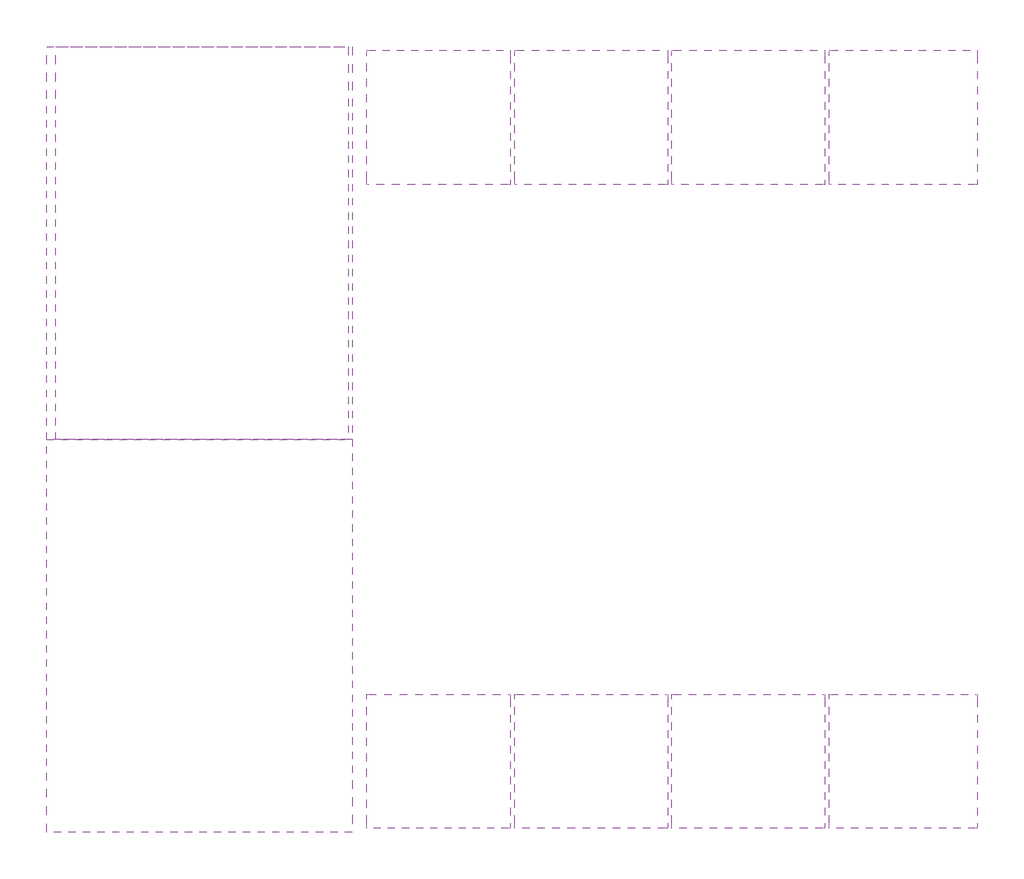
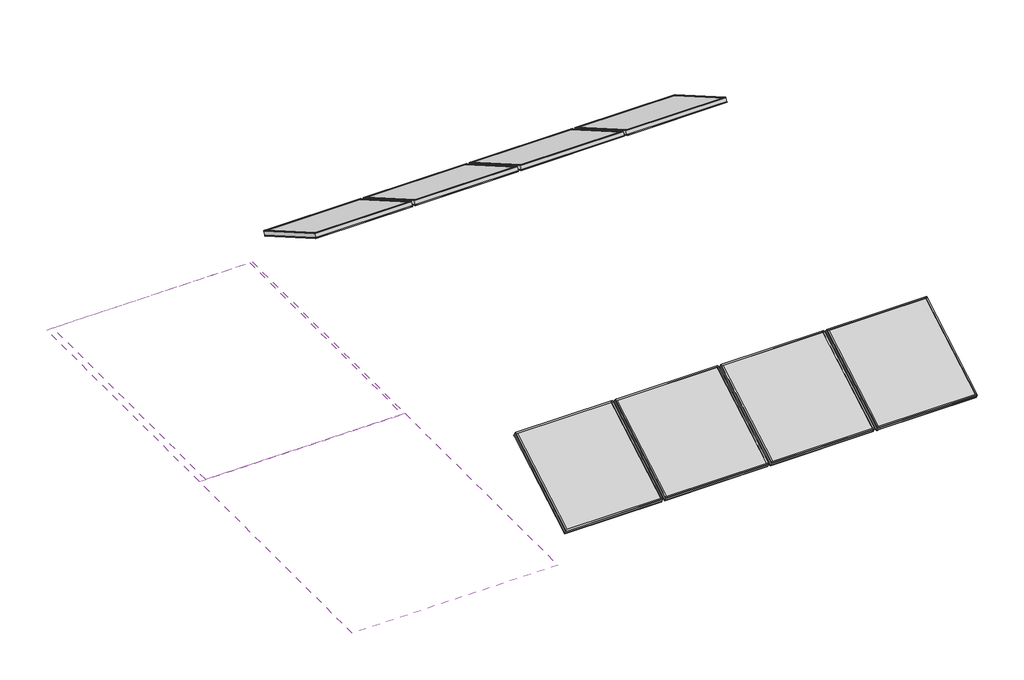
# One storey: 8 plates, 3 roofs.
"""IFC4 building model written with IfcOpenShell, lengths in millimetres."""

import ifcopenshell
import ifcopenshell.guid

model = None  # the IFC model being written
_history = None  # IfcOwnerHistory: only IFC2X3 demands one
_inside = {}  # id of a spatial element -> (the spatial element, [elements in it])
_under = {}  # id of a project, library or spatial element -> (it, [spatial elements below it])
_declared = {}  # id of a project -> (the project, [libraries it declares])
_typed = {}  # id of a type object -> (the type object, [elements of that type])
_made_of = {}  # id of a material, layer set ... -> (it, [elements and type objects made of it])


def new_model(schema):
    """Start an empty IFC model of exactly this schema.

    Asked for "IFC4X3", IfcOpenShell would pick the latest addendum, in which some entities
    have other attributes; the version numbers below select the first issue.
    IFC2X3 requires an IfcOwnerHistory on every rooted entity: one is made here for all.
    """
    global model, _history
    if schema == "IFC4X3":
        model = ifcopenshell.file(schema_version=(4, 3, 0, 0))
    else:
        model = ifcopenshell.file(schema=schema)
    _inside.clear()
    _under.clear()
    _declared.clear()
    _typed.clear()
    _made_of.clear()
    _history = None
    if model.schema == "IFC2X3":
        org = make("IfcOrganization", Name="unknown")
        user = make(
            "IfcPersonAndOrganization",
            ThePerson=make("IfcPerson", FamilyName="unknown"),
            TheOrganization=org,
        )
        app = make(
            "IfcApplication",
            ApplicationDeveloper=org,
            Version="unknown",
            ApplicationFullName="unknown",
            ApplicationIdentifier="unknown",
        )
        _history = make(
            "IfcOwnerHistory",
            OwningUser=user,
            OwningApplication=app,
            ChangeAction="ADDED",
            CreationDate=0,
        )
    return model


def make(cls, **values):
    """One entity of the class cls with the attributes given. An attribute that is None is left unset."""
    return model.create_entity(
        cls, **{name: value for name, value in values.items() if value is not None}
    )


def rooted(cls, **values):
    """An entity with a GlobalId (a new one), such as an element, a storey or a relation."""
    return make(cls, GlobalId=ifcopenshell.guid.new(), OwnerHistory=_history, **values)


def si_unit(unit_type, name, prefix=None):
    """IfcSIUnit, for example si_unit("LENGTHUNIT", "METRE", prefix="MILLI")."""
    return make("IfcSIUnit", UnitType=unit_type, Prefix=prefix, Name=name)


def assignment(units):
    """IfcUnitAssignment: the units of a project."""
    return None if units is None else make("IfcUnitAssignment", Units=units)


def point(xyz):
    """IfcCartesianPoint."""
    return None if xyz is None else make("IfcCartesianPoint", Coordinates=xyz)


def direction(xyz):
    """IfcDirection."""
    return None if xyz is None else make("IfcDirection", DirectionRatios=xyz)


def frame(location, z_axis=None, x_axis=None):
    """IfcAxis2Placement3D, a coordinate frame: its origin and axes. An axis left out is left unset."""
    return make(
        "IfcAxis2Placement3D",
        Location=point(location),
        Axis=direction(z_axis),
        RefDirection=direction(x_axis),
    )


def origin():
    """The frame at (0, 0, 0) with its axes left unset."""
    return frame((0.0, 0.0, 0.0))


def origin_with_axes():
    """The frame at (0, 0, 0) with the z axis (0, 0, 1) and the x axis (1, 0, 0) written out."""
    return frame((0.0, 0.0, 0.0), z_axis=(0.0, 0.0, 1.0), x_axis=(1.0, 0.0, 0.0))


def place(relative_to, where):
    """IfcLocalPlacement: puts the frame where relative to a parent placement (None: the world)."""
    return make(
        "IfcLocalPlacement", PlacementRelTo=relative_to, RelativePlacement=where
    )


def context(
    kind, dimensions, precision=None, world=None, true_north=None, identifier=None
):
    """IfcGeometricRepresentationContext, for example the 3D "Model" context."""
    return make(
        "IfcGeometricRepresentationContext",
        ContextIdentifier=identifier,
        ContextType=kind,
        CoordinateSpaceDimension=dimensions,
        Precision=precision,
        WorldCoordinateSystem=world,
        TrueNorth=true_north,
    )


def project(units=None, contexts=None):
    """IfcProject with its units and contexts."""
    return rooted(
        "IfcProject",
        Name="project",
        RepresentationContexts=contexts,
        UnitsInContext=assignment(units),
    )


def spatial(cls, under=None, at=None, **own):
    """A site, building, storey or space (cls), placed at a placement, below another one or the project."""
    s = rooted(cls, ObjectPlacement=at, **own)
    if under is not None:
        _under.setdefault(under.id(), (under, []))[1].append(s)
    return s


def polyline(points):
    """IfcPolyline through the points."""
    return make("IfcPolyline", Points=[point(p) for p in points])


def outline(outer, holes=None, kind="AREA"):
    """IfcArbitraryClosedProfileDef: a profile drawn as a closed curve; with holes, ...WithVoids."""
    if holes is None:
        return make("IfcArbitraryClosedProfileDef", ProfileType=kind, OuterCurve=outer)
    return make(
        "IfcArbitraryProfileDefWithVoids",
        ProfileType=kind,
        OuterCurve=outer,
        InnerCurves=holes,
    )


def extrude(swept, where, along, depth):
    """IfcExtrudedAreaSolid: the profile swept, set in the frame where, extruded along a direction by depth."""
    return make(
        "IfcExtrudedAreaSolid",
        SweptArea=swept,
        Position=where,
        ExtrudedDirection=direction(along),
        Depth=depth,
    )


def shape(context_of_items, identifier, shape_type, items):
    """IfcShapeRepresentation: the items that make up one representation, for example the "Body"."""
    return make(
        "IfcShapeRepresentation",
        ContextOfItems=context_of_items,
        RepresentationIdentifier=identifier,
        RepresentationType=shape_type,
        Items=items,
    )


def source(mapping_origin, context_of_items, identifier, shape_type, items):
    """IfcRepresentationMap: a shape defined once, which mapped items show again and again."""
    return make(
        "IfcRepresentationMap",
        MappingOrigin=mapping_origin,
        MappedRepresentation=shape(context_of_items, identifier, shape_type, items),
    )


def transform(
    local_origin,
    x_axis=None,
    y_axis=None,
    z_axis=None,
    scale=None,
    scale2=None,
    scale3=None,
    uniform=True,
):
    """IfcCartesianTransformationOperator3D, or its non-uniform kind. x_axis, y_axis, z_axis: its Axis1, 2, 3."""
    if uniform:
        return make(
            "IfcCartesianTransformationOperator3D",
            Axis1=direction(x_axis),
            Axis2=direction(y_axis),
            LocalOrigin=point(local_origin),
            Scale=scale,
            Axis3=direction(z_axis),
        )
    return make(
        "IfcCartesianTransformationOperator3DnonUniform",
        Axis1=direction(x_axis),
        Axis2=direction(y_axis),
        LocalOrigin=point(local_origin),
        Scale=scale,
        Axis3=direction(z_axis),
        Scale2=scale2,
        Scale3=scale3,
    )


def mapped(mapping_source, mapping_target):
    """IfcMappedItem: shows the shape of a source again, moved by a transform."""
    return make(
        "IfcMappedItem", MappingSource=mapping_source, MappingTarget=mapping_target
    )


def made_of(thing, what):
    """Note that an element or type object is made of a material, layer set ...; save() writes the relation."""
    if what is not None:
        _made_of.setdefault(what.id(), (what, []))[1].append(thing)
    return thing


def element(
    cls,
    number,
    at=None,
    inside=None,
    cuts=None,
    type_object=None,
    material=None,
    context=None,
    identifier="Body",
    shape_type=None,
    held_by="IfcProductDefinitionShape",
    body=None,
    shapes=None,
    **own,
):
    """One element of the class cls, such as IfcWall. Its Tag is "e" and its number.

    at: its placement. inside: the storey or other place that contains it. cuts: it is an
    opening in that element (IfcRelVoidsElement). A single representation is given by context,
    identifier, shape_type and body (its items); several are given by shapes. held_by: the class
    of the entity that holds the representations. save() writes the other relations.
    """
    e = rooted(cls, Tag="e%d" % number, ObjectPlacement=at, **own)
    if body is not None:
        shapes = [shape(context, identifier, shape_type, body)]
    if shapes is not None:
        e.Representation = make(held_by, Representations=shapes)
    if inside is not None:
        _inside.setdefault(inside.id(), (inside, []))[1].append(e)
    if cuts is not None:
        rooted(
            "IfcRelVoidsElement", RelatingBuildingElement=cuts, RelatedOpeningElement=e
        )
    if type_object is not None:
        _typed.setdefault(type_object.id(), (type_object, []))[1].append(e)
    return made_of(e, material)


def aggregate(whole, parts):
    """IfcRelAggregates: a whole, such as a stair, and the parts it consists of."""
    return rooted("IfcRelAggregates", RelatingObject=whole, RelatedObjects=parts)


def save(model, path):
    """Write the relations noted so far, then the file.

    IfcRelAggregates (storeys below a building ...), IfcRelContainedInSpatialStructure (elements
    in a storey), IfcRelDefinesByType, IfcRelAssociatesMaterial and IfcRelDeclares: one each for
    every whole, place, type object, material and project.
    """
    for whole, parts in _under.values():
        aggregate(whole, parts)
    for where, things in _inside.values():
        rooted(
            "IfcRelContainedInSpatialStructure",
            RelatedElements=things,
            RelatingStructure=where,
        )
    for kind, things in _typed.values():
        rooted("IfcRelDefinesByType", RelatedObjects=things, RelatingType=kind)
    for what, things in _made_of.values():
        rooted("IfcRelAssociatesMaterial", RelatedObjects=things, RelatingMaterial=what)
    for by, libraries in _declared.values():
        rooted("IfcRelDeclares", RelatingContext=by, RelatedDefinitions=libraries)
    model.write(path)


def plate_d5254cb2(model_context):
    return source(origin(), model_context, "Body", "SweptSolid", [
        extrude(outline(polyline([(418.5237375, -9.7647125), (418.5237375, -14.5399125), (-418.5237375, -14.5399125), (-418.5237375, -9.7647125), (418.5237375, -9.7647125)])), origin_with_axes(), (0.0, 0.0, 1.0), 11.1252),
        extrude(outline(polyline([(-418.5237375, -14.5399125), (-418.5237375, -9.7647125), (418.5237375, -9.7647125), (418.5237375, -14.5399125), (-418.5237375, -14.5399125)])), frame((0.0, 0.0, 868.3702658), z_axis=(0.0, 0.0, 1.0), x_axis=(1.0, 0.0, 0.0)), (0.0, 0.0, 1.0), 11.1252),
        extrude(outline(polyline([(418.5237375, -44.6643125), (418.5237375, -51.3953125), (406.3860579, -51.3953125), (406.3860579, -44.6643125), (418.5237375, -44.6643125)])), origin_with_axes(), (0.0, 0.0, 1.0), 879.4954658),
        extrude(outline(polyline([(418.5237375, -9.7765488), (418.5237375, -14.5399125), (406.5113137, -14.5399125), (406.5113137, -9.7765488), (418.5237375, -9.7765488)])), origin_with_axes(), (0.0, 0.0, 1.0), 879.4954658),
        extrude(outline(polyline([(-406.5031604, -51.3953125), (-418.5237375, -51.3953125), (-418.5237375, -44.6643125), (-406.5031604, -44.6643125), (-406.5031604, -51.3953125)])), origin_with_axes(), (0.0, 0.0, 1.0), 879.4954658),
        extrude(outline(polyline([(-406.5031604, -14.5399125), (-418.5237375, -14.5399125), (-418.5237375, -9.7647125), (-406.5031604, -9.7647125), (-406.5031604, -14.5399125)])), origin_with_axes(), (0.0, 0.0, 1.0), 879.4954658),
        extrude(outline(polyline([(418.5237375, -44.6643125), (418.5237375, -51.3953125), (-418.5237375, -51.3953125), (-418.5237375, -44.6643125), (418.5237375, -44.6643125)])), origin_with_axes(), (0.0, 0.0, 1.0), 11.1693096),
        extrude(outline(polyline([(418.5237375, -44.6643125), (418.5237375, -51.3953125), (-418.5237375, -51.3953125), (-418.5237375, -44.6643125), (418.5237375, -44.6643125)])), frame((0.0, 0.0, 868.31436), z_axis=(0.0, 0.0, 1.0), x_axis=(1.0, 0.0, 0.0)), (0.0, 0.0, 1.0), 11.1811058),
        extrude(outline(polyline([(418.5237375, -44.6643125), (-418.5237375, -44.6643125), (-418.5237375, -14.5399125), (418.5237375, -14.5399125), (418.5237375, -44.6643125)])), origin_with_axes(), (0.0, 0.0, 1.0), 879.4954658),
    ])


def plate_a69fba2a(model_context):
    return source(origin(), model_context, "Body", "SweptSolid", [
        extrude(outline(polyline([(431.8, -9.7647125), (431.8, -14.5399125), (-431.8, -14.5399125), (-431.8, -9.7647125), (431.8, -9.7647125)])), origin_with_axes(), (0.0, 0.0, 1.0), 11.1252),
        extrude(outline(polyline([(-431.8, -14.5399125), (-431.8, -9.7647125), (431.8, -9.7647125), (431.8, -14.5399125), (-431.8, -14.5399125)])), frame((0.0, 0.0, 868.3702658), z_axis=(0.0, 0.0, 1.0), x_axis=(1.0, 0.0, 0.0)), (0.0, 0.0, 1.0), 11.1252),
        extrude(outline(polyline([(431.8, -44.6643125), (431.8, -51.3953125), (419.6623204, -51.3953125), (419.6623204, -44.6643125), (431.8, -44.6643125)])), origin_with_axes(), (0.0, 0.0, 1.0), 879.4954658),
        extrude(outline(polyline([(431.8, -9.7765488), (431.8, -14.5399125), (419.7875762, -14.5399125), (419.7875762, -9.7765488), (431.8, -9.7765488)])), origin_with_axes(), (0.0, 0.0, 1.0), 879.4954658),
        extrude(outline(polyline([(-419.7794229, -51.3953125), (-431.8, -51.3953125), (-431.8, -44.6643125), (-419.7794229, -44.6643125), (-419.7794229, -51.3953125)])), origin_with_axes(), (0.0, 0.0, 1.0), 879.4954658),
        extrude(outline(polyline([(-419.7794229, -14.5399125), (-431.8, -14.5399125), (-431.8, -9.7647125), (-419.7794229, -9.7647125), (-419.7794229, -14.5399125)])), origin_with_axes(), (0.0, 0.0, 1.0), 879.4954658),
        extrude(outline(polyline([(431.8, -44.6643125), (431.8, -51.3953125), (-431.8, -51.3953125), (-431.8, -44.6643125), (431.8, -44.6643125)])), origin_with_axes(), (0.0, 0.0, 1.0), 11.1693096),
        extrude(outline(polyline([(431.8, -44.6643125), (431.8, -51.3953125), (-431.8, -51.3953125), (-431.8, -44.6643125), (431.8, -44.6643125)])), frame((0.0, 0.0, 868.31436), z_axis=(0.0, 0.0, 1.0), x_axis=(1.0, 0.0, 0.0)), (0.0, 0.0, 1.0), 11.1811058),
        extrude(outline(polyline([(431.8, -44.6643125), (-431.8, -44.6643125), (-431.8, -14.5399125), (431.8, -14.5399125), (431.8, -44.6643125)])), origin_with_axes(), (0.0, 0.0, 1.0), 879.4954658),
    ])


def plate_395092b2(model_context):
    return source(origin(), model_context, "Body", "SweptSolid", [
        extrude(outline(polyline([(444.5, -9.7647125), (444.5, -14.5399125), (-444.5, -14.5399125), (-444.5, -9.7647125), (444.5, -9.7647125)])), origin_with_axes(), (0.0, 0.0, 1.0), 11.1252),
        extrude(outline(polyline([(-444.5, -14.5399125), (-444.5, -9.7647125), (444.5, -9.7647125), (444.5, -14.5399125), (-444.5, -14.5399125)])), frame((0.0, 0.0, 868.3702658), z_axis=(0.0, 0.0, 1.0), x_axis=(1.0, 0.0, 0.0)), (0.0, 0.0, 1.0), 11.1252),
        extrude(outline(polyline([(444.5, -44.6643125), (444.5, -51.3953125), (432.3623204, -51.3953125), (432.3623204, -44.6643125), (444.5, -44.6643125)])), origin_with_axes(), (0.0, 0.0, 1.0), 879.4954658),
        extrude(outline(polyline([(444.5, -9.7765488), (444.5, -14.5399125), (432.4875762, -14.5399125), (432.4875762, -9.7765488), (444.5, -9.7765488)])), origin_with_axes(), (0.0, 0.0, 1.0), 879.4954658),
        extrude(outline(polyline([(-432.4794229, -51.3953125), (-444.5, -51.3953125), (-444.5, -44.6643125), (-432.4794229, -44.6643125), (-432.4794229, -51.3953125)])), origin_with_axes(), (0.0, 0.0, 1.0), 879.4954658),
        extrude(outline(polyline([(-432.4794229, -14.5399125), (-444.5, -14.5399125), (-444.5, -9.7647125), (-432.4794229, -9.7647125), (-432.4794229, -14.5399125)])), origin_with_axes(), (0.0, 0.0, 1.0), 879.4954658),
        extrude(outline(polyline([(444.5, -44.6643125), (444.5, -51.3953125), (-444.5, -51.3953125), (-444.5, -44.6643125), (444.5, -44.6643125)])), origin_with_axes(), (0.0, 0.0, 1.0), 11.1693096),
        extrude(outline(polyline([(444.5, -44.6643125), (444.5, -51.3953125), (-444.5, -51.3953125), (-444.5, -44.6643125), (444.5, -44.6643125)])), frame((0.0, 0.0, 868.31436), z_axis=(0.0, 0.0, 1.0), x_axis=(1.0, 0.0, 0.0)), (0.0, 0.0, 1.0), 11.1811058),
        extrude(outline(polyline([(444.5, -44.6643125), (-444.5, -44.6643125), (-444.5, -14.5399125), (444.5, -14.5399125), (444.5, -44.6643125)])), origin_with_axes(), (0.0, 0.0, 1.0), 879.4954658),
    ])


def plate_474ce93c(model_context):
    return source(origin(), model_context, "Body", "SweptSolid", [
        extrude(outline(polyline([(444.51905, -9.7647125), (444.51905, -14.5399125), (-444.51905, -14.5399125), (-444.51905, -9.7647125), (444.51905, -9.7647125)])), origin_with_axes(), (0.0, 0.0, 1.0), 11.1252),
        extrude(outline(polyline([(-444.51905, -14.5399125), (-444.51905, -9.7647125), (444.51905, -9.7647125), (444.51905, -14.5399125), (-444.51905, -14.5399125)])), frame((0.0, 0.0, 868.3702658), z_axis=(0.0, 0.0, 1.0), x_axis=(1.0, 0.0, 0.0)), (0.0, 0.0, 1.0), 11.1252),
        extrude(outline(polyline([(444.51905, -44.6643125), (444.51905, -51.3953125), (432.3813704, -51.3953125), (432.3813704, -44.6643125), (444.51905, -44.6643125)])), origin_with_axes(), (0.0, 0.0, 1.0), 879.4954658),
        extrude(outline(polyline([(444.51905, -9.7765488), (444.51905, -14.5399125), (432.5066262, -14.5399125), (432.5066262, -9.7765488), (444.51905, -9.7765488)])), origin_with_axes(), (0.0, 0.0, 1.0), 879.4954658),
        extrude(outline(polyline([(-432.4984729, -51.3953125), (-444.51905, -51.3953125), (-444.51905, -44.6643125), (-432.4984729, -44.6643125), (-432.4984729, -51.3953125)])), origin_with_axes(), (0.0, 0.0, 1.0), 879.4954658),
        extrude(outline(polyline([(-432.4984729, -14.5399125), (-444.51905, -14.5399125), (-444.51905, -9.7647125), (-432.4984729, -9.7647125), (-432.4984729, -14.5399125)])), origin_with_axes(), (0.0, 0.0, 1.0), 879.4954658),
        extrude(outline(polyline([(444.51905, -44.6643125), (444.51905, -51.3953125), (-444.51905, -51.3953125), (-444.51905, -44.6643125), (444.51905, -44.6643125)])), origin_with_axes(), (0.0, 0.0, 1.0), 11.1693096),
        extrude(outline(polyline([(444.51905, -44.6643125), (444.51905, -51.3953125), (-444.51905, -51.3953125), (-444.51905, -44.6643125), (444.51905, -44.6643125)])), frame((0.0, 0.0, 868.31436), z_axis=(0.0, 0.0, 1.0), x_axis=(1.0, 0.0, 0.0)), (0.0, 0.0, 1.0), 11.1811058),
        extrude(outline(polyline([(444.51905, -44.6643125), (-444.51905, -44.6643125), (-444.51905, -14.5399125), (444.51905, -14.5399125), (444.51905, -44.6643125)])), origin_with_axes(), (0.0, 0.0, 1.0), 879.4954658),
    ])


def plate_e72b2691(model_context):
    return source(origin(), model_context, "Body", "SweptSolid", [
        extrude(outline(polyline([(418.5046875, -9.7647125), (418.5046875, -14.5399125), (-418.5046875, -14.5399125), (-418.5046875, -9.7647125), (418.5046875, -9.7647125)])), origin_with_axes(), (0.0, 0.0, 1.0), 11.1252),
        extrude(outline(polyline([(-418.5046875, -14.5399125), (-418.5046875, -9.7647125), (418.5046875, -9.7647125), (418.5046875, -14.5399125), (-418.5046875, -14.5399125)])), frame((0.0, 0.0, 868.3702658), z_axis=(0.0, 0.0, 1.0), x_axis=(1.0, 0.0, 0.0)), (0.0, 0.0, 1.0), 11.1252),
        extrude(outline(polyline([(418.5046875, -44.6643125), (418.5046875, -51.3953125), (406.3670079, -51.3953125), (406.3670079, -44.6643125), (418.5046875, -44.6643125)])), origin_with_axes(), (0.0, 0.0, 1.0), 879.4954658),
        extrude(outline(polyline([(418.5046875, -9.7765488), (418.5046875, -14.5399125), (406.4922637, -14.5399125), (406.4922637, -9.7765488), (418.5046875, -9.7765488)])), origin_with_axes(), (0.0, 0.0, 1.0), 879.4954658),
        extrude(outline(polyline([(-406.4841104, -51.3953125), (-418.5046875, -51.3953125), (-418.5046875, -44.6643125), (-406.4841104, -44.6643125), (-406.4841104, -51.3953125)])), origin_with_axes(), (0.0, 0.0, 1.0), 879.4954658),
        extrude(outline(polyline([(-406.4841104, -14.5399125), (-418.5046875, -14.5399125), (-418.5046875, -9.7647125), (-406.4841104, -9.7647125), (-406.4841104, -14.5399125)])), origin_with_axes(), (0.0, 0.0, 1.0), 879.4954658),
        extrude(outline(polyline([(418.5046875, -44.6643125), (418.5046875, -51.3953125), (-418.5046875, -51.3953125), (-418.5046875, -44.6643125), (418.5046875, -44.6643125)])), origin_with_axes(), (0.0, 0.0, 1.0), 11.1693096),
        extrude(outline(polyline([(418.5046875, -44.6643125), (418.5046875, -51.3953125), (-418.5046875, -51.3953125), (-418.5046875, -44.6643125), (418.5046875, -44.6643125)])), frame((0.0, 0.0, 868.31436), z_axis=(0.0, 0.0, 1.0), x_axis=(1.0, 0.0, 0.0)), (0.0, 0.0, 1.0), 11.1811058),
        extrude(outline(polyline([(418.5046875, -44.6643125), (-418.5046875, -44.6643125), (-418.5046875, -14.5399125), (418.5046875, -14.5399125), (418.5046875, -44.6643125)])), origin_with_axes(), (0.0, 0.0, 1.0), 879.4954658),
    ])


model = new_model("IFC4")

# Units and contexts
model_context = context("Model", 3, world=origin())
ifc_project = project(units=[si_unit("LENGTHUNIT", "METRE", prefix="MILLI")], contexts=[model_context])

# Site, building, storey
site = spatial("IfcSite", under=ifc_project)
building = spatial("IfcBuilding", under=site)
storey = spatial("IfcBuildingStorey", under=building, Elevation=-2438.4)

# Plates
placement = place(None, origin())
plate_shape = plate_d5254cb2(model_context)
element("IfcPlate", 1, ObjectType="1.18\" IGU : 1.18\" IGU", at=placement, inside=storey, context=model_context, shape_type="MappedRepresentation", body=[
    mapped(plate_shape, transform((8800.8789502, -17974.9187365, 10.3148671), x_axis=(1.0, 0.0, 0.0), y_axis=(0.0, 0.49999999999999867, 0.8660254037844395), z_axis=(0.0, -0.8660254037844395, 0.49999999999999867))),
])
plate_2_shape = plate_a69fba2a(model_context)
element("IfcPlate", 2, ObjectType="1.18\" IGU : 1.18\" IGU", at=placement, inside=storey, context=model_context, shape_type="MappedRepresentation", body=[
    mapped(plate_2_shape, transform((11505.4026877, -22514.5724021, 10.3148671), x_axis=(-1.0, 0.0, 0.0), y_axis=(0.0, -0.4999999999999983, 0.8660254037844396), z_axis=(0.0, 0.8660254037844396, 0.4999999999999983))),
])
element("IfcPlate", 3, ObjectType="1.18\" IGU : 1.18\" IGU", at=placement, inside=storey, context=model_context, shape_type="MappedRepresentation", body=[
    mapped(plate_2_shape, transform((11505.4026877, -17974.9187365, 10.3148671), x_axis=(1.0, 0.0, 0.0), y_axis=(0.0, 0.49999999999999867, 0.8660254037844395), z_axis=(0.0, -0.8660254037844395, 0.49999999999999867))),
])
plate_3_shape = plate_395092b2(model_context)
element("IfcPlate", 4, ObjectType="1.18\" IGU : 1.18\" IGU", at=placement, inside=storey, context=model_context, shape_type="MappedRepresentation", body=[
    mapped(plate_3_shape, transform((9689.2645877, -22514.5724021, 10.3148671), x_axis=(-1.0, 0.0, 0.0), y_axis=(0.0, -0.4999999999999983, 0.8660254037844396), z_axis=(0.0, 0.8660254037844396, 0.4999999999999983))),
])
element("IfcPlate", 5, ObjectType="1.18\" IGU : 1.18\" IGU", at=placement, inside=storey, context=model_context, shape_type="MappedRepresentation", body=[
    mapped(plate_3_shape, transform((9689.3026877, -17974.9187365, 10.3148671), x_axis=(1.0, 0.0, 0.0), y_axis=(0.0, 0.49999999999999867, 0.8660254037844395), z_axis=(0.0, -0.8660254037844395, 0.49999999999999867))),
])
element("IfcPlate", 6, ObjectType="1.18\" IGU : 1.18\" IGU", at=placement, inside=storey, context=model_context, shape_type="MappedRepresentation", body=[
    mapped(plate_3_shape, transform((10603.7026877, -17974.9187365, 10.3148671), x_axis=(1.0, 0.0, 0.0), y_axis=(0.0, 0.49999999999999867, 0.8660254037844395), z_axis=(0.0, -0.8660254037844395, 0.49999999999999867))),
])
plate_4_shape = plate_474ce93c(model_context)
element("IfcPlate", 7, ObjectType="1.18\" IGU : 1.18\" IGU", at=placement, inside=storey, context=model_context, shape_type="MappedRepresentation", body=[
    mapped(plate_4_shape, transform((10603.6836377, -22514.5724021, 10.3148671), x_axis=(-1.0, 0.0, 0.0), y_axis=(0.0, -0.4999999999999983, 0.8660254037844396), z_axis=(0.0, 0.8660254037844396, 0.4999999999999983))),
])
plate_5_shape = plate_e72b2691(model_context)
element("IfcPlate", 8, ObjectType="1.18\" IGU : 1.18\" IGU", at=placement, inside=storey, context=model_context, shape_type="MappedRepresentation", body=[
    mapped(plate_5_shape, transform((8800.8599002, -22514.5724021, 10.3148671), x_axis=(-1.0, 0.0, 0.0), y_axis=(0.0, -0.4999999999999983, 0.8660254037844396), z_axis=(0.0, 0.8660254037844396, 0.4999999999999983))),
])

# Roofs
element("IfcRoof", 9, ObjectType="Generic - 8\"", at=placement, inside=storey, context=model_context, shape_type="SweptSolid", body=[
    extrude(outline(polyline([(-20244.7455693, 1054.5089692), (-17957.0528627, -266.2910308), (-18261.8528627, -266.2910308), (-20244.7455693, 878.5326072), (-20244.7455693, 1054.5089692)])), frame((6574.0321438, 0.0, 0.0), z_axis=(1.0, 0.0, 0.0), x_axis=(0.0, 1.0, 0.0)), (0.0, 0.0, 1.0), 1701.8),
])
element("IfcRoof", 10, ObjectType="Generic - 8\"", at=placement, inside=storey, context=model_context, shape_type="SweptSolid", body=[
    extrude(outline(polyline([(-20244.7455693, 1054.5089692), (-17957.0528627, -266.2910308), (-18261.8528627, -266.2910308), (-20244.7455693, 878.5326072), (-20244.7455693, 1054.5089692)])), frame((6520.4442935, 0.0, 0.0), z_axis=(1.0, 0.0, 0.0), x_axis=(0.0, 1.0, 0.0)), (0.0, 0.0, 1.0), 1778.0),
])
element("IfcRoof", 11, ObjectType="Generic - 8\"", at=placement, inside=storey, context=model_context, shape_type="SweptSolid", body=[
    extrude(outline(polyline([(-22532.438276, -266.2910308), (-20244.7455693, 1054.5089692), (-20244.7455693, 878.5326072), (-22227.638276, -266.2910308), (-22532.438276, -266.2910308)])), frame((6520.4442935, 0.0, 0.0), z_axis=(1.0, 0.0, 0.0), x_axis=(0.0, 1.0, 0.0)), (0.0, 0.0, 1.0), 1778.0),
])

save(model, "model.ifc")
